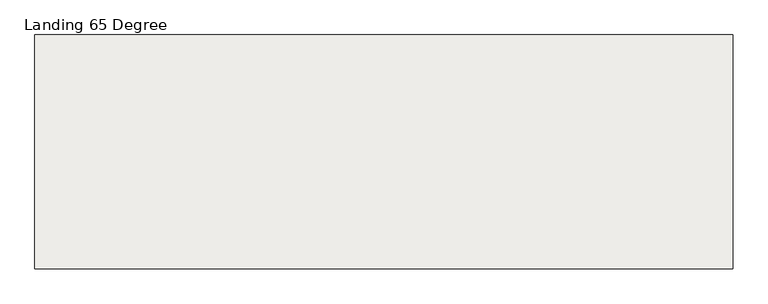
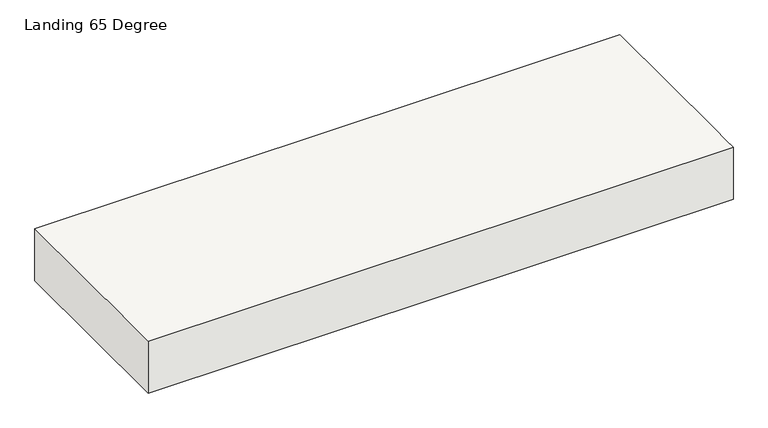
"""IFC4 building model written with IfcOpenShell, lengths in millimetres: slab geometry, Landing 65 Degree."""

from ifc_helpers import new_model, si_unit, origin, place, context, project, spatial, faceted_brep, source, transform, mapped, element, save


def landing_65_degree_ccc94a70(model_context):
    return source(origin(), model_context, "Body", "Brep", [
        faceted_brep([(7945.9879874, 4915.4473298, 6000.0), (8945.9879874, 4915.4473298, 6000.0), (8945.9879874, 4935.4473298, 6000.0), (8945.9879874, 4970.1558831, 6000.0), (8945.9879874, 5250.4473298, 6000.0), (7945.9879874, 5250.4473298, 6000.0), (7945.9879874, 4970.1558831, 6000.0), (7945.9879874, 4935.4473298, 6000.0), (8945.9879874, 4915.4473298, 5906.0), (7945.9879874, 4915.4473298, 5906.0), (7945.9879874, 5250.4473298, 5906.0), (8945.9879874, 5250.4473298, 5906.0)], [[[0, 1, 2, 3, 4, 5, 6, 7]], [[8, 9, 10, 11]], [[5, 4, 11, 10]], [[10, 9, 0, 7, 6, 5]], [[8, 11, 4, 3, 2, 1]], [[1, 0, 9, 8]]]),
    ])


if __name__ == "__main__":
    model = new_model("IFC4")
    model_context = context("Model", 3, world=origin())
    ifc_project = project(units=[si_unit("LENGTHUNIT", "METRE", prefix="MILLI")], contexts=[model_context])
    site = spatial("IfcSite", under=ifc_project)
    building = spatial("IfcBuilding", under=site)
    placement = place(None, origin())
    landing_65_degree_shape = landing_65_degree_ccc94a70(model_context)
    element("IfcSlab", 1, ObjectType="Landing 65 Degree", at=placement, inside=building, context=model_context, shape_type="MappedRepresentation", body=[
        mapped(landing_65_degree_shape, transform((0.0, 0.0, 0.0), x_axis=(1.0, 0.0, 0.0), y_axis=(0.0, 1.0, 0.0), z_axis=(0.0, 0.0, 1.0))),
    ])
    save(model, "model.ifc")
